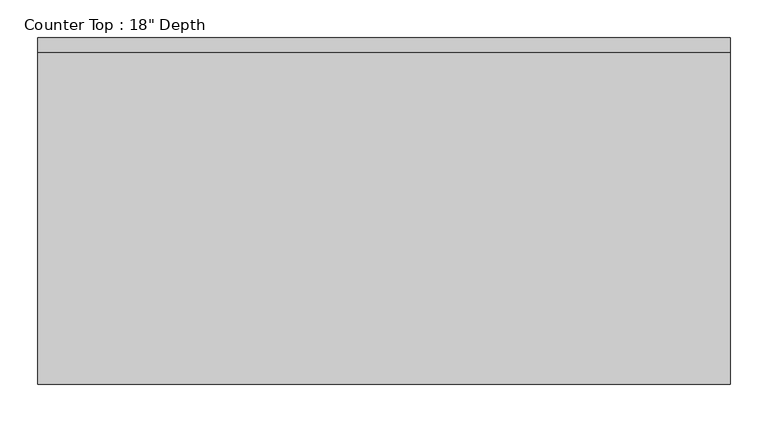
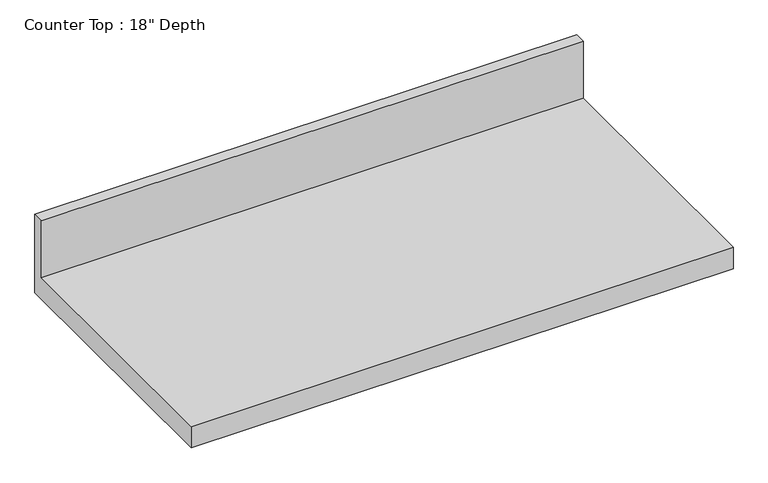
"""IFC4 building model written with IfcOpenShell, lengths in millimetres: furniture geometry."""

from ifc_helpers import new_model, si_unit, frame, origin, place, context, project, spatial, polyline, outline, extrude, source, transform, mapped, element, save


def furniture_66c2e1c8(model_context):
    return source(origin(), model_context, "Body", "SweptSolid", [
        extrude(outline(polyline([(0.0, 889.0), (0.0, 749.3), (-457.2, 749.3), (-457.2, 787.4), (-19.05, 787.4), (-19.05, 889.0), (0.0, 889.0)])), frame((-1200.4622951, 0.0, 0.0), z_axis=(1.0, 0.0, 0.0), x_axis=(0.0, 1.0, 0.0)), (0.0, 0.0, 1.0), 914.4),
    ])


if __name__ == "__main__":
    model = new_model("IFC4")
    model_context = context("Model", 3, world=origin())
    ifc_project = project(units=[si_unit("LENGTHUNIT", "METRE", prefix="MILLI")], contexts=[model_context])
    site = spatial("IfcSite", under=ifc_project)
    building = spatial("IfcBuilding", under=site)
    placement = place(None, origin())
    furniture_shape = furniture_66c2e1c8(model_context)
    element("IfcFurniture", 1, ObjectType="Counter Top : 18\" Depth", at=placement, inside=building, context=model_context, shape_type="MappedRepresentation", body=[
        mapped(furniture_shape, transform((0.0, 0.0, 0.0), x_axis=(1.0, 0.0, 0.0), y_axis=(0.0, 1.0, 0.0), z_axis=(0.0, 0.0, 1.0))),
    ])
    save(model, "model.ifc")
